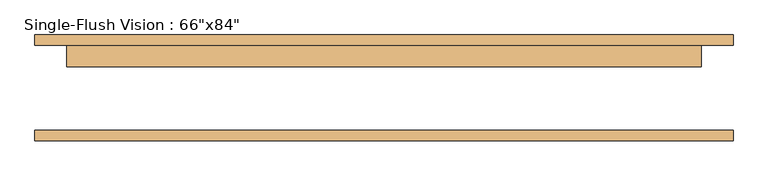
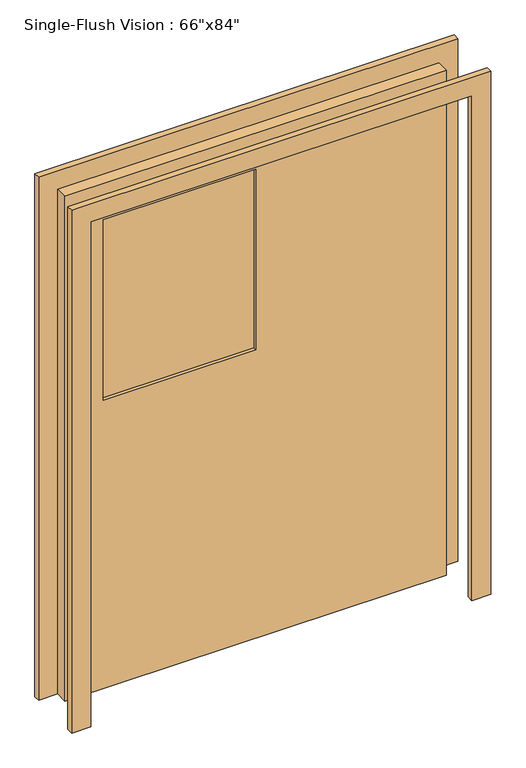
"""IFC4 building model written with IfcOpenShell, lengths in millimetres: door geometry."""

from ifc_helpers import new_model, si_unit, frame, origin, place, context, project, spatial, polyline, outline, extrude, source, transform, mapped, element, save


def door_a49766d5(model_context):
    return source(origin(), model_context, "Body", "SweptSolid", [
        extrude(outline(polyline([(2209.8, -838.2), (0.0, -838.2), (0.0, -762.0), (2133.6, -762.0), (2133.6, 762.0), (0.0, 762.0), (0.0, 838.2), (2209.8, 838.2), (2209.8, -838.2)])), frame((0.0, 101.6, 0.0), z_axis=(0.0, 1.0, 0.0), x_axis=(0.0, 0.0, 1.0)), (0.0, 0.0, 1.0), 25.4),
        extrude(outline(polyline([(2133.6, 762.0), (0.0, 762.0), (0.0, 838.2), (2209.8, 838.2), (2209.8, -838.2), (0.0, -838.2), (0.0, -762.0), (2133.6, -762.0), (2133.6, 762.0)])), frame((0.0, -127.0, 0.0), z_axis=(0.0, 1.0, 0.0), x_axis=(0.0, 0.0, 1.0)), (0.0, 0.0, 1.0), 25.4),
        extrude(outline(polyline([(0.0, 63.5), (-609.6, 63.5), (-609.6, 69.85), (0.0, 69.85), (0.0, 63.5)])), frame((0.0, 0.0, 1219.2), z_axis=(0.0, 0.0, 1.0), x_axis=(1.0, 0.0, 0.0)), (0.0, 0.0, 1.0), 762.0),
        extrude(outline(polyline([(0.0, 82.55), (-609.6, 82.55), (-609.6, 88.9), (0.0, 88.9), (0.0, 82.55)])), frame((0.0, 0.0, 1219.2), z_axis=(0.0, 0.0, 1.0), x_axis=(1.0, 0.0, 0.0)), (0.0, 0.0, 1.0), 762.0),
        extrude(outline(polyline([(2133.6, -762.0), (0.0, -762.0), (0.0, 762.0), (2133.6, 762.0), (2133.6, -762.0)]), holes=[polyline([(1981.2, -609.6), (1981.2, 0.0), (1219.2, 0.0), (1219.2, -609.6), (1981.2, -609.6)])]), frame((0.0, 50.8, 0.0), z_axis=(0.0, 1.0, 0.0), x_axis=(0.0, 0.0, 1.0)), (0.0, 0.0, 1.0), 50.8),
    ])


if __name__ == "__main__":
    model = new_model("IFC4")
    model_context = context("Model", 3, world=origin())
    ifc_project = project(units=[si_unit("LENGTHUNIT", "METRE", prefix="MILLI")], contexts=[model_context])
    site = spatial("IfcSite", under=ifc_project)
    building = spatial("IfcBuilding", under=site)
    placement = place(None, origin())
    door_shape = door_a49766d5(model_context)
    element("IfcDoor", 1, ObjectType="Single-Flush Vision : 66\"x84\"", at=placement, inside=building, context=model_context, shape_type="MappedRepresentation", body=[
        mapped(door_shape, transform((0.0, 0.0, 0.0), x_axis=(1.0, 0.0, 0.0), y_axis=(0.0, 1.0, 0.0), z_axis=(0.0, 0.0, 1.0))),
    ])
    save(model, "model.ifc")
